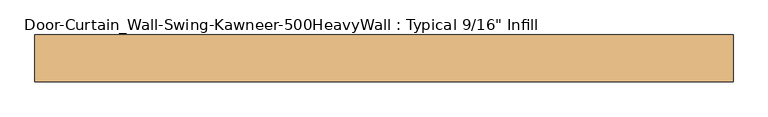
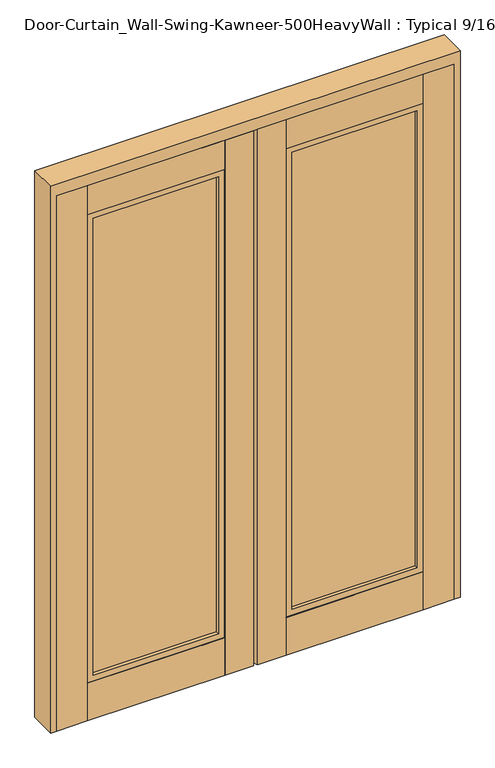
"""IFC4 building model written with IfcOpenShell, lengths in millimetres: door geometry."""

from ifc_helpers import new_model, si_unit, point, frame, frame_2d, origin, origin_with_axes, place, context, project, spatial, polyline, circle_curve, trimmed, segment, composite_curve, outline, extrude, faceted_brep, source, transform, mapped, element, save


def door_94c59aaf(model_context):
    return source(origin(), model_context, "Body", "SolidModel", [
        extrude(outline(polyline([(-698.5, 27.78125), (-698.5, -23.01875), (-825.5, -23.01875), (-825.5, 27.78125), (-698.5, 27.78125)])), origin_with_axes(), (0.0, 0.0, 1.0), 2349.5),
        extrude(outline(composite_curve([segment(trimmed(circle_curve(frame_2d((-40.0771132, 2.3822778)), 40.0771132), [point((-9.0760291, 27.78125))], [point((0.0, 2.38125))], False, "CARTESIAN"), True, "CONTINUOUS"), segment(trimmed(circle_curve(frame_2d((-40.0771132, 2.3822778)), 40.0771132), [point((0.0, 2.38125))], [point((-9.0777134, -23.01875))], False, "CARTESIAN"), True, "CONTINUOUS"), segment(polyline([(-9.0777134, -23.01875), (-127.0, -23.01875), (-127.0, 27.78125), (-9.0760291, 27.78125)]), True, "CONTINUOUS")], self_intersect=False)), origin_with_axes(), (0.0, 0.0, 1.0), 2349.5),
        extrude(outline(polyline([(-698.5, 8.73125), (-127.0, 8.73125), (-127.0, -5.55625), (-698.5, -5.55625), (-698.5, 8.73125)])), frame((0.0, 0.0, 165.1), z_axis=(0.0, 0.0, 1.0), x_axis=(1.0, 0.0, 0.0)), (0.0, 0.0, 1.0), 2057.4),
        extrude(outline(polyline([(-698.5, 27.78125), (-127.0, 27.78125), (-127.0, -23.01875), (-698.5, -23.01875), (-698.5, 27.78125)])), origin_with_axes(), (0.0, 0.0, 1.0), 165.1),
        extrude(outline(polyline([(-698.5, 27.78125), (-127.0, 27.78125), (-127.0, -23.01875), (-698.5, -23.01875), (-698.5, 27.78125)])), frame((0.0, 0.0, 2222.5), z_axis=(0.0, 0.0, 1.0), x_axis=(1.0, 0.0, 0.0)), (0.0, 0.0, 1.0), 127.0),
        extrude(outline(polyline([(2222.5, -127.0), (2222.5, -698.5), (165.1, -698.5), (165.1, -127.0), (2222.5, -127.0)]), holes=[polyline([(190.5, -152.4), (190.5, -673.1), (2197.1, -673.1), (2197.1, -152.4), (190.5, -152.4)])]), frame((0.0, -20.6375, 0.0), z_axis=(0.0, 1.0, 0.0), x_axis=(0.0, 0.0, 1.0)), (0.0, 0.0, 1.0), 46.0375),
        extrude(outline(polyline([(698.5, 27.78125), (825.5, 27.78125), (825.5, -23.01875), (698.5, -23.01875), (698.5, 27.78125)])), origin_with_axes(), (0.0, 0.0, 1.0), 2349.5),
        extrude(outline(composite_curve([segment(polyline([(9.0760291, 27.78125), (127.0, 27.78125), (127.0, -23.01875), (9.0777134, -23.01875)]), True, "CONTINUOUS"), segment(trimmed(circle_curve(frame_2d((40.0771132, 2.3822778)), 40.0771132), [point((9.0777134, -23.01875))], [point((0.0, 2.38125))], False, "CARTESIAN"), True, "CONTINUOUS"), segment(trimmed(circle_curve(frame_2d((40.0771132, 2.3822778)), 40.0771132), [point((0.0, 2.38125))], [point((9.0760291, 27.78125))], False, "CARTESIAN"), True, "CONTINUOUS")], self_intersect=False)), origin_with_axes(), (0.0, 0.0, 1.0), 2349.5),
        extrude(outline(polyline([(698.5, 8.73125), (698.5, -5.55625), (127.0, -5.55625), (127.0, 8.73125), (698.5, 8.73125)])), frame((0.0, 0.0, 165.1), z_axis=(0.0, 0.0, 1.0), x_axis=(1.0, 0.0, 0.0)), (0.0, 0.0, 1.0), 2057.4),
        extrude(outline(polyline([(698.5, 27.78125), (698.5, -23.01875), (127.0, -23.01875), (127.0, 27.78125), (698.5, 27.78125)])), origin_with_axes(), (0.0, 0.0, 1.0), 165.1),
        extrude(outline(polyline([(698.5, 27.78125), (698.5, -23.01875), (127.0, -23.01875), (127.0, 27.78125), (698.5, 27.78125)])), frame((0.0, 0.0, 2222.5), z_axis=(0.0, 0.0, 1.0), x_axis=(1.0, 0.0, 0.0)), (0.0, 0.0, 1.0), 127.0),
        extrude(outline(polyline([(2222.5, 127.0), (165.1, 127.0), (165.1, 698.5), (2222.5, 698.5), (2222.5, 127.0)]), holes=[polyline([(190.5, 152.4), (2197.1, 152.4), (2197.1, 673.1), (190.5, 673.1), (190.5, 152.4)])]), frame((0.0, -20.6375, 0.0), z_axis=(0.0, 1.0, 0.0), x_axis=(0.0, 0.0, 1.0)), (0.0, 0.0, 1.0), 46.0375),
        faceted_brep([(-850.9, -23.01875, 0.0), (-850.9, 91.28125, 0.0), (-825.5, 91.28125, 0.0), (-825.5, 34.925, 0.0), (-798.5125, 34.925, 0.0), (-798.5125, 27.78125, 0.0), (-825.5, 27.78125, 0.0), (-825.5, -23.01875, 0.0), (850.9, -23.01875, 0.0), (825.5, -23.01875, 0.0), (825.5, 27.78125, 0.0), (798.5125, 27.78125, 0.0), (798.5125, 34.925, 0.0), (825.5, 34.925, 0.0), (825.5, 91.28125, 0.0), (850.9, 91.28125, 0.0), (-850.9, -23.01875, 2400.3), (-825.5, -23.01875, 2349.5), (825.5, -23.01875, 2349.5), (850.9, -23.01875, 2400.3), (-825.5, 27.78125, 2349.5), (-798.5125, 27.78125, 2322.5125), (798.5125, 27.78125, 2322.5125), (825.5, 27.78125, 2349.5), (-798.5125, 34.925, 2322.5125), (-825.5, 34.925, 2322.5125), (-825.5, 91.28125, 2349.5), (-825.5, 80.9625, 2349.5), (-825.5, 80.9625, 2322.5125), (850.9, 91.28125, 2400.3), (825.5, 91.28125, 2349.5), (-850.9, 91.28125, 2400.3), (825.5, 34.925, 2322.5125), (825.5, 80.9625, 2322.5125), (825.5, 80.9625, 2349.5), (798.5125, 34.925, 2322.5125)], [[[0, 1, 2, 3, 4, 5, 6, 7]], [[8, 9, 10, 11, 12, 13, 14, 15]], [[16, 0, 7, 17, 18, 9, 8, 19]], [[20, 17, 7, 6]], [[5, 21, 22, 11, 10, 23, 20, 6]], [[4, 24, 21, 5]], [[3, 25, 24, 4]], [[2, 26, 27, 28, 25, 3]], [[29, 15, 14, 30, 26, 2, 1, 31]], [[31, 1, 0, 16]], [[19, 8, 15, 29]], [[13, 32, 33, 34, 30, 14]], [[12, 35, 32, 13]], [[11, 22, 35, 12]], [[9, 18, 23, 10]], [[16, 19, 29, 31]], [[17, 20, 23, 18]], [[33, 32, 35, 22, 21, 24, 25, 28]], [[28, 27, 34, 33]], [[27, 26, 30, 34]]]),
    ])


if __name__ == "__main__":
    model = new_model("IFC4")
    model_context = context("Model", 3, world=origin())
    ifc_project = project(units=[si_unit("LENGTHUNIT", "METRE", prefix="MILLI")], contexts=[model_context])
    site = spatial("IfcSite", under=ifc_project)
    building = spatial("IfcBuilding", under=site)
    placement = place(None, origin())
    door_shape = door_94c59aaf(model_context)
    element("IfcDoor", 1, ObjectType="Door-Curtain_Wall-Swing-Kawneer-500HeavyWall : Typical 9/16\" Infill", at=placement, inside=building, context=model_context, shape_type="MappedRepresentation", body=[
        mapped(door_shape, transform((0.0, 0.0, 0.0), x_axis=(1.0, 0.0, 0.0), y_axis=(0.0, 1.0, 0.0), z_axis=(0.0, 0.0, 1.0))),
    ])
    save(model, "model.ifc")
